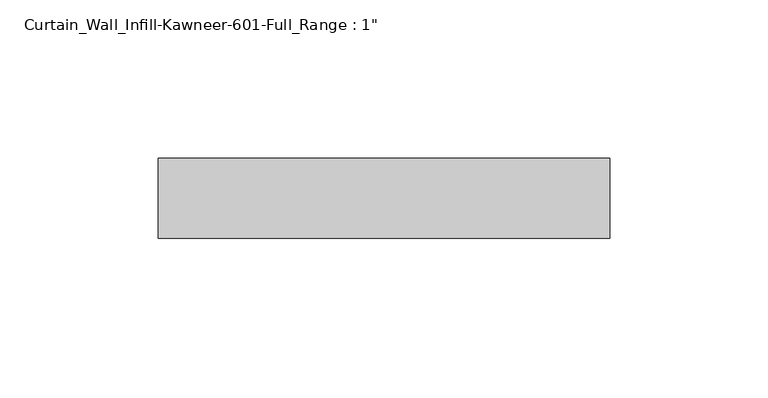
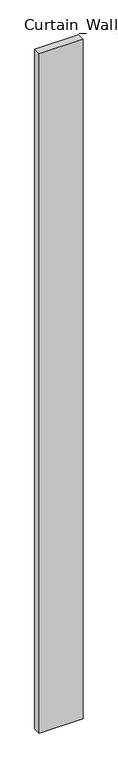
"""IFC4 building model written with IfcOpenShell, lengths in millimetres: plate geometry."""

from ifc_helpers import new_model, si_unit, origin, origin_with_axes, place, context, project, spatial, polyline, outline, extrude, source, transform, mapped, element, save


def plate_7a9e1141(model_context):
    return source(origin(), model_context, "Body", "SweptSolid", [
        extrude(outline(polyline([(-71.4375, 12.7), (71.4375, 12.7), (71.4375, -12.7), (-71.4375, -12.7), (-71.4375, 12.7)])), origin_with_axes(), (0.0, 0.0, 1.0), 2330.45),
    ])


if __name__ == "__main__":
    model = new_model("IFC4")
    model_context = context("Model", 3, world=origin())
    ifc_project = project(units=[si_unit("LENGTHUNIT", "METRE", prefix="MILLI")], contexts=[model_context])
    site = spatial("IfcSite", under=ifc_project)
    building = spatial("IfcBuilding", under=site)
    placement = place(None, origin())
    plate_shape = plate_7a9e1141(model_context)
    element("IfcPlate", 1, ObjectType="Curtain_Wall_Infill-Kawneer-601-Full_Range : 1\"", at=placement, inside=building, context=model_context, shape_type="MappedRepresentation", body=[
        mapped(plate_shape, transform((0.0, 0.0, 0.0), x_axis=(1.0, 0.0, 0.0), y_axis=(0.0, 1.0, 0.0), z_axis=(0.0, 0.0, 1.0))),
    ])
    save(model, "model.ifc")
